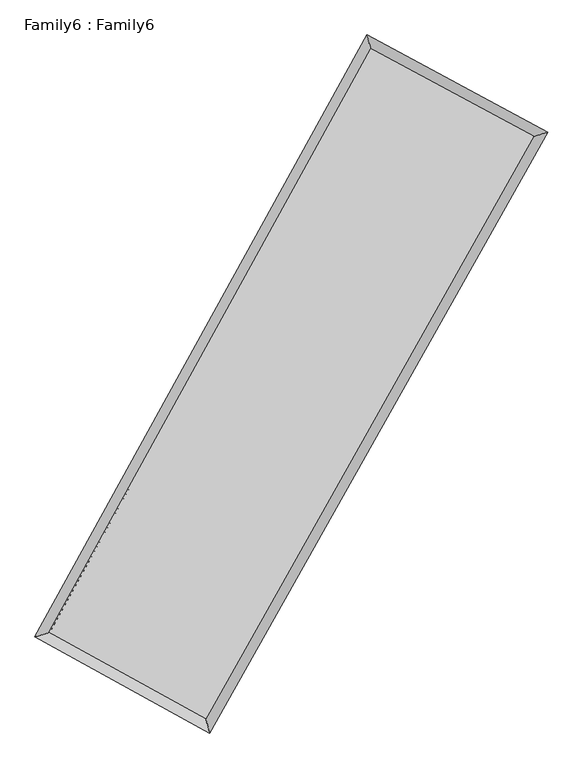
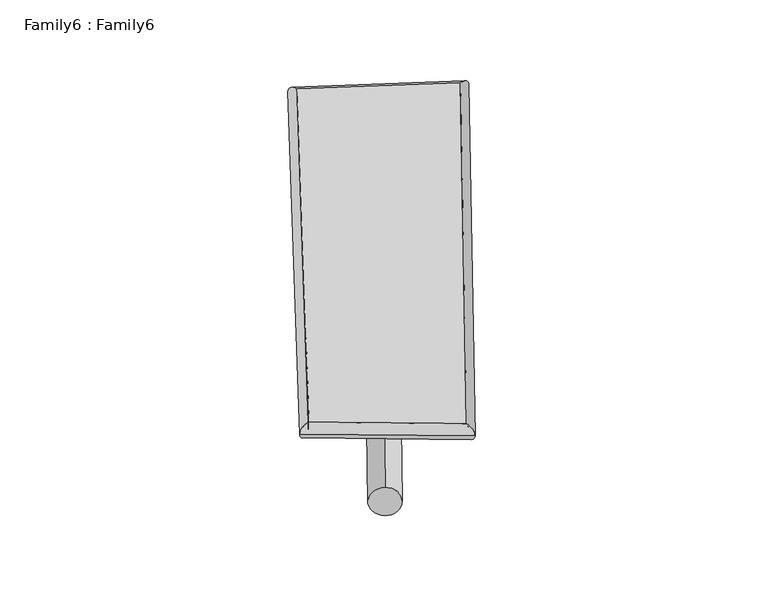
"""IFC4 building model written with IfcOpenShell, lengths in millimetres: plate geometry, Family6 : Family6."""

import ifcopenshell
import ifcopenshell.guid

model = None  # the IFC model being written
_history = None  # IfcOwnerHistory: only IFC2X3 demands one
_inside = {}  # id of a spatial element -> (the spatial element, [elements in it])
_under = {}  # id of a project, library or spatial element -> (it, [spatial elements below it])
_declared = {}  # id of a project -> (the project, [libraries it declares])
_typed = {}  # id of a type object -> (the type object, [elements of that type])
_made_of = {}  # id of a material, layer set ... -> (it, [elements and type objects made of it])


def new_model(schema):
    """Start an empty IFC model of exactly this schema.

    Asked for "IFC4X3", IfcOpenShell would pick the latest addendum, in which some entities
    have other attributes; the version numbers below select the first issue.
    IFC2X3 requires an IfcOwnerHistory on every rooted entity: one is made here for all.
    """
    global model, _history
    if schema == "IFC4X3":
        model = ifcopenshell.file(schema_version=(4, 3, 0, 0))
    else:
        model = ifcopenshell.file(schema=schema)
    _inside.clear()
    _under.clear()
    _declared.clear()
    _typed.clear()
    _made_of.clear()
    _history = None
    if model.schema == "IFC2X3":
        org = make("IfcOrganization", Name="unknown")
        user = make(
            "IfcPersonAndOrganization",
            ThePerson=make("IfcPerson", FamilyName="unknown"),
            TheOrganization=org,
        )
        app = make(
            "IfcApplication",
            ApplicationDeveloper=org,
            Version="unknown",
            ApplicationFullName="unknown",
            ApplicationIdentifier="unknown",
        )
        _history = make(
            "IfcOwnerHistory",
            OwningUser=user,
            OwningApplication=app,
            ChangeAction="ADDED",
            CreationDate=0,
        )
    return model


def make(cls, **values):
    """One entity of the class cls with the attributes given. An attribute that is None is left unset."""
    return model.create_entity(
        cls, **{name: value for name, value in values.items() if value is not None}
    )


def rooted(cls, **values):
    """An entity with a GlobalId (a new one), such as an element, a storey or a relation."""
    return make(cls, GlobalId=ifcopenshell.guid.new(), OwnerHistory=_history, **values)


def si_unit(unit_type, name, prefix=None):
    """IfcSIUnit, for example si_unit("LENGTHUNIT", "METRE", prefix="MILLI")."""
    return make("IfcSIUnit", UnitType=unit_type, Prefix=prefix, Name=name)


def assignment(units):
    """IfcUnitAssignment: the units of a project."""
    return None if units is None else make("IfcUnitAssignment", Units=units)


def point(xyz):
    """IfcCartesianPoint."""
    return None if xyz is None else make("IfcCartesianPoint", Coordinates=xyz)


def direction(xyz):
    """IfcDirection."""
    return None if xyz is None else make("IfcDirection", DirectionRatios=xyz)


def frame(location, z_axis=None, x_axis=None):
    """IfcAxis2Placement3D, a coordinate frame: its origin and axes. An axis left out is left unset."""
    return make(
        "IfcAxis2Placement3D",
        Location=point(location),
        Axis=direction(z_axis),
        RefDirection=direction(x_axis),
    )


def frame_2d(location, x_axis=None):
    """IfcAxis2Placement2D, a coordinate frame in the plane: its origin and x axis."""
    return make(
        "IfcAxis2Placement2D", Location=point(location), RefDirection=direction(x_axis)
    )


def origin():
    """The frame at (0, 0, 0) with its axes left unset."""
    return frame((0.0, 0.0, 0.0))


def origin_2d():
    """The frame at (0, 0) in the plane with its x axis left unset."""
    return frame_2d((0.0, 0.0))


def place(relative_to, where):
    """IfcLocalPlacement: puts the frame where relative to a parent placement (None: the world)."""
    return make(
        "IfcLocalPlacement", PlacementRelTo=relative_to, RelativePlacement=where
    )


def context(
    kind, dimensions, precision=None, world=None, true_north=None, identifier=None
):
    """IfcGeometricRepresentationContext, for example the 3D "Model" context."""
    return make(
        "IfcGeometricRepresentationContext",
        ContextIdentifier=identifier,
        ContextType=kind,
        CoordinateSpaceDimension=dimensions,
        Precision=precision,
        WorldCoordinateSystem=world,
        TrueNorth=true_north,
    )


def project(units=None, contexts=None):
    """IfcProject with its units and contexts."""
    return rooted(
        "IfcProject",
        Name="project",
        RepresentationContexts=contexts,
        UnitsInContext=assignment(units),
    )


def spatial(cls, under=None, at=None, **own):
    """A site, building, storey or space (cls), placed at a placement, below another one or the project."""
    s = rooted(cls, ObjectPlacement=at, **own)
    if under is not None:
        _under.setdefault(under.id(), (under, []))[1].append(s)
    return s


def circle_curve(where, radius):
    """IfcCircle in the frame where."""
    return make("IfcCircle", Position=where, Radius=radius)


def ellipse_curve(where, semi_axis1, semi_axis2):
    """IfcEllipse in the frame where."""
    return make(
        "IfcEllipse", Position=where, SemiAxis1=semi_axis1, SemiAxis2=semi_axis2
    )


def trimmed(basis, trim1, trim2, sense, master):
    """IfcTrimmedCurve: the piece of a basis curve between two trims."""
    return make(
        "IfcTrimmedCurve",
        BasisCurve=basis,
        Trim1=trim1,
        Trim2=trim2,
        SenseAgreement=sense,
        MasterRepresentation=master,
    )


def segment(curve, same_sense, transition):
    """IfcCompositeCurveSegment."""
    return make(
        "IfcCompositeCurveSegment",
        Transition=transition,
        SameSense=same_sense,
        ParentCurve=curve,
    )


def composite_curve(segments, self_intersect=None):
    """IfcCompositeCurve: segments joined end to end."""
    return make("IfcCompositeCurve", Segments=segments, SelfIntersect=self_intersect)


def outline(outer, holes=None, kind="AREA"):
    """IfcArbitraryClosedProfileDef: a profile drawn as a closed curve; with holes, ...WithVoids."""
    if holes is None:
        return make("IfcArbitraryClosedProfileDef", ProfileType=kind, OuterCurve=outer)
    return make(
        "IfcArbitraryProfileDefWithVoids",
        ProfileType=kind,
        OuterCurve=outer,
        InnerCurves=holes,
    )


def extrude(swept, where, along, depth):
    """IfcExtrudedAreaSolid: the profile swept, set in the frame where, extruded along a direction by depth."""
    return make(
        "IfcExtrudedAreaSolid",
        SweptArea=swept,
        Position=where,
        ExtrudedDirection=direction(along),
        Depth=depth,
    )


def shape(context_of_items, identifier, shape_type, items):
    """IfcShapeRepresentation: the items that make up one representation, for example the "Body"."""
    return make(
        "IfcShapeRepresentation",
        ContextOfItems=context_of_items,
        RepresentationIdentifier=identifier,
        RepresentationType=shape_type,
        Items=items,
    )


def source(mapping_origin, context_of_items, identifier, shape_type, items):
    """IfcRepresentationMap: a shape defined once, which mapped items show again and again."""
    return make(
        "IfcRepresentationMap",
        MappingOrigin=mapping_origin,
        MappedRepresentation=shape(context_of_items, identifier, shape_type, items),
    )


def transform(
    local_origin,
    x_axis=None,
    y_axis=None,
    z_axis=None,
    scale=None,
    scale2=None,
    scale3=None,
    uniform=True,
):
    """IfcCartesianTransformationOperator3D, or its non-uniform kind. x_axis, y_axis, z_axis: its Axis1, 2, 3."""
    if uniform:
        return make(
            "IfcCartesianTransformationOperator3D",
            Axis1=direction(x_axis),
            Axis2=direction(y_axis),
            LocalOrigin=point(local_origin),
            Scale=scale,
            Axis3=direction(z_axis),
        )
    return make(
        "IfcCartesianTransformationOperator3DnonUniform",
        Axis1=direction(x_axis),
        Axis2=direction(y_axis),
        LocalOrigin=point(local_origin),
        Scale=scale,
        Axis3=direction(z_axis),
        Scale2=scale2,
        Scale3=scale3,
    )


def mapped(mapping_source, mapping_target):
    """IfcMappedItem: shows the shape of a source again, moved by a transform."""
    return make(
        "IfcMappedItem", MappingSource=mapping_source, MappingTarget=mapping_target
    )


def made_of(thing, what):
    """Note that an element or type object is made of a material, layer set ...; save() writes the relation."""
    if what is not None:
        _made_of.setdefault(what.id(), (what, []))[1].append(thing)
    return thing


def element(
    cls,
    number,
    at=None,
    inside=None,
    cuts=None,
    type_object=None,
    material=None,
    context=None,
    identifier="Body",
    shape_type=None,
    held_by="IfcProductDefinitionShape",
    body=None,
    shapes=None,
    **own,
):
    """One element of the class cls, such as IfcWall. Its Tag is "e" and its number.

    at: its placement. inside: the storey or other place that contains it. cuts: it is an
    opening in that element (IfcRelVoidsElement). A single representation is given by context,
    identifier, shape_type and body (its items); several are given by shapes. held_by: the class
    of the entity that holds the representations. save() writes the other relations.
    """
    e = rooted(cls, Tag="e%d" % number, ObjectPlacement=at, **own)
    if body is not None:
        shapes = [shape(context, identifier, shape_type, body)]
    if shapes is not None:
        e.Representation = make(held_by, Representations=shapes)
    if inside is not None:
        _inside.setdefault(inside.id(), (inside, []))[1].append(e)
    if cuts is not None:
        rooted(
            "IfcRelVoidsElement", RelatingBuildingElement=cuts, RelatedOpeningElement=e
        )
    if type_object is not None:
        _typed.setdefault(type_object.id(), (type_object, []))[1].append(e)
    return made_of(e, material)


def aggregate(whole, parts):
    """IfcRelAggregates: a whole, such as a stair, and the parts it consists of."""
    return rooted("IfcRelAggregates", RelatingObject=whole, RelatedObjects=parts)


def save(model, path):
    """Write the relations noted so far, then the file.

    IfcRelAggregates (storeys below a building ...), IfcRelContainedInSpatialStructure (elements
    in a storey), IfcRelDefinesByType, IfcRelAssociatesMaterial and IfcRelDeclares: one each for
    every whole, place, type object, material and project.
    """
    for whole, parts in _under.values():
        aggregate(whole, parts)
    for where, things in _inside.values():
        rooted(
            "IfcRelContainedInSpatialStructure",
            RelatedElements=things,
            RelatingStructure=where,
        )
    for kind, things in _typed.values():
        rooted("IfcRelDefinesByType", RelatedObjects=things, RelatingType=kind)
    for what, things in _made_of.values():
        rooted("IfcRelAssociatesMaterial", RelatedObjects=things, RelatingMaterial=what)
    for by, libraries in _declared.values():
        rooted("IfcRelDeclares", RelatingContext=by, RelatedDefinitions=libraries)
    model.write(path)


def plane_surface(at):
    """IfcPlane: the flat surface through the origin of the frame at, square to its z axis."""
    return make("IfcPlane", Position=at)


def cylinder_surface(at, radius):
    """IfcCylindricalSurface: all points at the distance radius from the z axis of the frame at."""
    return make("IfcCylindricalSurface", Position=at, Radius=radius)


def spline_surface(u_degree, v_degree, points, u_multiplicities, v_multiplicities, u_knots, v_knots, weights=None):
    """IfcBSplineSurfaceWithKnots; with weights, IfcRationalBSplineSurfaceWithKnots. points: one row for each step in u."""
    own = dict(
        UDegree=u_degree,
        VDegree=v_degree,
        ControlPointsList=[[point(p) for p in row] for row in points],
        SurfaceForm="UNSPECIFIED",
        UClosed=False,
        VClosed=False,
        SelfIntersect=False,
        UMultiplicities=u_multiplicities,
        VMultiplicities=v_multiplicities,
        UKnots=u_knots,
        VKnots=v_knots,
        KnotSpec="UNSPECIFIED",
    )
    if weights is None:
        return make("IfcBSplineSurfaceWithKnots", **own)
    return make("IfcRationalBSplineSurfaceWithKnots", WeightsData=weights, **own)


def advanced_brep(points, edges, surfaces, faces):
    """IfcAdvancedBrep: a solid bounded by faces that lie on surfaces and meet in shared edges.

    An edge is (start, end): straight between two places in points (the first is 0);
    or (start, end, curve); or (start, end, curve, False) where it runs against its curve.
    A face is (place in surfaces, loops), or (place, loops, False) where it looks against
    its surface's normal. A loop lists edges by number (the first is 1), with a minus sign
    where the edge is run from its end to its start. The first loop is the outer one.
    """
    corners = [point(p) for p in points]
    vertices = [make("IfcVertexPoint", VertexGeometry=c) for c in corners]
    made = []
    for start, end, *more in edges:
        made.append(
            make(
                "IfcEdgeCurve",
                EdgeStart=vertices[start],
                EdgeEnd=vertices[end],
                EdgeGeometry=more[0] if more else make("IfcPolyline", Points=[corners[start], corners[end]]),
                SameSense=more[1] if len(more) > 1 else True,
            )
        )
    hull = []
    for where, loops, *sense in faces:
        bounds = []
        for j, loop in enumerate(loops):
            ring = [make("IfcOrientedEdge", EdgeElement=made[abs(k) - 1], Orientation=k > 0) for k in loop]
            bounds.append(
                make(
                    "IfcFaceOuterBound" if j == 0 else "IfcFaceBound",
                    Bound=make("IfcEdgeLoop", EdgeList=ring),
                    Orientation=True,
                )
            )
        hull.append(make("IfcAdvancedFace", Bounds=bounds, FaceSurface=surfaces[where], SameSense=sense[0] if sense else True))
    return make("IfcAdvancedBrep", Outer=make("IfcClosedShell", CfsFaces=hull))


def family6_family6_ac7b8083(model_context):
    return source(origin(), model_context, "Body", "SolidModel", [
        extrude(outline(composite_curve([segment(trimmed(circle_curve(origin_2d(), 76.2), [point((-75.4341514, -10.7763074))], [point((75.4341514, 10.7763074))], False, "CARTESIAN"), True, "CONTINUOUS"), segment(trimmed(circle_curve(origin_2d(), 76.2), [point((75.4341514, 10.7763074))], [point((-75.4341514, -10.7763074))], False, "CARTESIAN"), True, "CONTINUOUS")], self_intersect=False)), frame((9144.0, 9144.0, 0.0), z_axis=(0.6753220051112971, 0.6837392368233893, 0.27647937615783647), x_axis=(-0.6762907995611659, 0.7236488358781605, -0.13770663295971702)), (0.0, 0.0, 1.0), 5634.8550679),
        extrude(outline(composite_curve([segment(trimmed(circle_curve(origin_2d(), 76.2), [point((-53.8815368, 53.8815368))], [point((53.8815368, -53.8815368))], False, "CARTESIAN"), True, "CONTINUOUS"), segment(trimmed(circle_curve(origin_2d(), 76.2), [point((53.8815368, -53.8815368))], [point((-53.8815368, 53.8815368))], False, "CARTESIAN"), True, "CONTINUOUS")], self_intersect=False)), frame((9144.0, 9144.0, 0.0), z_axis=(-0.6696511586447237, -0.688710617490722, 0.27792986719913276), x_axis=(0.6455491799442052, -0.3547520117794207, 0.6763263017300288)), (0.0, 0.0, 1.0), 5608.0469249),
        extrude(outline(composite_curve([segment(trimmed(circle_curve(origin_2d(), 76.2), [point((-53.8815367, -53.8815367))], [point((53.8815367, 53.8815367))], False, "CARTESIAN"), True, "CONTINUOUS"), segment(trimmed(circle_curve(origin_2d(), 76.2), [point((53.8815367, 53.8815367))], [point((-53.8815367, -53.8815367))], False, "CARTESIAN"), True, "CONTINUOUS")], self_intersect=False)), frame((9144.0, 9144.0, 0.0), z_axis=(0.22595036370488736, 0.9368483228936483, 0.26694878353906715), x_axis=(-0.8473849106708684, 0.32419717143877486, -0.42051754683772946)), (0.0, 0.0, 1.0), 5572.2430047),
        extrude(outline(composite_curve([segment(trimmed(circle_curve(origin_2d(), 76.2), [point((-75.4341514, 10.7763073))], [point((75.4341514, -10.7763073))], False, "CARTESIAN"), True, "CONTINUOUS"), segment(trimmed(circle_curve(origin_2d(), 76.2), [point((75.4341514, -10.7763073))], [point((-75.4341514, 10.7763073))], False, "CARTESIAN"), True, "CONTINUOUS")], self_intersect=False)), frame((9144.0, 9144.0, 0.0), z_axis=(-0.23392627189587256, -0.9349707961555226, 0.2666610388737102), x_axis=(0.8907994351282363, -0.09621584430754547, 0.4440933209128476)), (0.0, 0.0, 1.0), 5574.7633245),
        advanced_brep(
        [(5181.6153752, 5221.933841, 1554.0559063), (5181.5053838, 5221.7477316, 1565.1479118), (5595.5143828, 5341.4232379, 1563.2315678), (10463.5789712, 14158.8811275, 1494.1685877), (10342.5216959, 14569.8118998, 1480.8383957), (5595.6243742, 5341.6093473, 1552.1395624), (12740.2210046, 12936.1307044, 1557.1291559), (13158.4622413, 13057.412303, 1558.7132719), (7781.2373046, 4138.0278264, 1487.880917), (7898.595493, 3725.4903658, 1485.2634421)],
        [
            (0, 1, ellipse_curve(frame((5388.564879, 5281.6785394, 1558.6437371), z_axis=(-0.27761389746300186, 0.9605997649268053, 0.013364713164462532), x_axis=(-0.9603450337563666, -0.2778608152993034, 0.023038738261670872)), 215.6617885, 152.4)),
            (1, 2, ellipse_curve(frame((5388.564879, 5281.6785394, 1558.6437371), z_axis=(-0.27761389746300186, 0.9605997649268053, 0.013364713164462532), x_axis=(-0.9603450337563666, -0.2778608152993034, 0.023038738261670872)), 215.6617885, 152.4)),
            (2, 3),
            (3, 4, ellipse_curve(frame((10403.0503336, 14364.3465137, 1487.5034917), z_axis=(-0.9590611362594891, -0.2829317022898872, -0.012304013816807555), x_axis=(0.28262140944692277, -0.958974658248253, 0.02219783232392822)), 214.3075504, 152.4)),
            (4, 0),
            (2, 5, ellipse_curve(frame((5388.564879, 5281.6785394, 1558.6437371), z_axis=(-0.27761389746300186, 0.9605997649268053, 0.013364713164462532), x_axis=(-0.9603450337563666, -0.2778608152993034, 0.023038738261670872)), 215.6617885, 152.4)),
            (5, 0, ellipse_curve(frame((5388.564879, 5281.6785394, 1558.6437371), z_axis=(-0.27761389746300186, 0.9605997649268053, 0.013364713164462532), x_axis=(-0.9603450337563666, -0.2778608152993034, 0.023038738261670872)), 215.6617885, 152.4)),
            (4, 3, ellipse_curve(frame((10403.0503336, 14364.3465137, 1487.5034917), z_axis=(-0.9590611362594891, -0.2829317022898872, -0.012304013816807555), x_axis=(0.28262140944692277, -0.958974658248253, 0.02219783232392822)), 214.3075504, 152.4)),
            (3, 6),
            (6, 7, ellipse_curve(frame((12949.3416229, 12996.7715037, 1557.9212139), z_axis=(-0.27844128723813727, 0.9603718646597487, -0.012503244823894444), x_axis=(-0.9601415901844581, -0.2786589593068003, -0.021847452851790173)), 217.7745416, 152.4)),
            (7, 4),
            (7, 6, ellipse_curve(frame((12949.3416229, 12996.7715037, 1557.9212139), z_axis=(-0.27844128723813727, 0.9603718646597487, -0.012503244823894444), x_axis=(-0.9601415901844581, -0.2786589593068003, -0.021847452851790173)), 217.7745416, 152.4)),
            (6, 8),
            (8, 9, ellipse_curve(frame((7839.9163988, 3931.7590961, 1486.5721796), z_axis=(0.9617300323280462, 0.27367620377296736, -0.01329211821767756), x_axis=(-0.27333072941214903, 0.9616411282404614, 0.023165768613082043)), 214.4874712, 152.4)),
            (9, 7),
            (9, 8, ellipse_curve(frame((7839.9163988, 3931.7590961, 1486.5721796), z_axis=(0.9617300323280462, 0.27367620377296736, -0.01329211821767756), x_axis=(-0.27333072941214903, 0.9616411282404614, 0.023165768613082043)), 214.4874712, 152.4)),
            (8, 5),
            (1, 9),
        ],
        [
            cylinder_surface(frame((5388.564879, 5281.6785395, 1558.6437371), z_axis=(-0.48331411582839406, -0.8754201564897591, 0.0068567523262595825), x_axis=(-0.8749651724997461, 0.4827734649177686, -0.0369557638776634)), 152.4),
            cylinder_surface(frame((10403.0503336, 14364.3465137, 1487.5034917), z_axis=(-0.8807154469196755, 0.4730191086616431, -0.024356198349109678), x_axis=(0.47348989701677324, 0.8805798964949426, -0.0196561265767663)), 152.4),
            cylinder_surface(frame((12949.3416229, 12996.7715037, 1557.9212139), z_axis=(0.49100550311374264, 0.8711294876966906, 0.00685649891141675), x_axis=(0.871154612402186, -0.4910055031137426, -0.001799222726024792)), 152.4),
            cylinder_surface(frame((7839.9163988, 3931.7590961, 1486.5721796), z_axis=(0.875672523506962, -0.48221862754596556, -0.02574542333376259), x_axis=(-0.4819282729361206, -0.8760476407219082, 0.016901802578026665)), 152.4),
        ],
        [
            (0, [[1, 2, 3, 4, 5]]),
            (0, [[6, 7, -5, 8, -3]]),
            (1, [[-4, 9, 10, 11]]),
            (1, [[-8, -11, 12, -9]]),
            (2, [[-10, 13, 14, 15]]),
            (2, [[-12, -15, 16, -13]]),
            (3, [[-14, 17, -6, -2, 18]]),
            (3, [[-16, -18, -1, -7, -17]]),
        ],
    ),
        extrude(outline(composite_curve([segment(trimmed(circle_curve(origin_2d(), 304.8), [point((0.0, 304.8))], [point((0.0, -304.8))], False, "CARTESIAN"), True, "CONTINUOUS"), segment(trimmed(circle_curve(origin_2d(), 304.8), [point((0.0, -304.8))], [point((0.0, 304.8))], False, "CARTESIAN"), True, "CONTINUOUS")], self_intersect=False)), frame((11718.3395469, 13680.7859484, -0.0559934), z_axis=(-0.4935195302655981, -0.869734714226814, 1.0734336153818474e-05), x_axis=(-0.8697347142884407, 0.493519530265598, -2.8333455521984155e-06)), (0.0, 0.0, 1.0), 10432.5741497),
        advanced_brep(
        [(5388.564879, 5281.6785394, 1558.6437371), (7839.9163988, 3931.7590961, 1486.5721796), (7839.9000064, 3931.764769, 1638.9721786), (5388.5484866, 5281.6842123, 1711.0437361), (12949.3416229, 12996.7715037, 1557.9212139), (12949.3252305, 12996.7771766, 1710.3212129), (10403.0503336, 14364.3465137, 1487.5034917), (10403.0339411, 14364.3521865, 1639.9034907)],
        [
            (0, 1),
            (1, 2),
            (2, 3),
            (3, 0),
            (1, 4),
            (4, 5),
            (5, 2),
            (4, 6),
            (6, 7),
            (7, 5),
            (6, 0),
            (3, 7),
        ],
        [
            plane_surface(frame((6614.2406389, 4606.7188178, 1522.6079583), z_axis=(-0.4823789555955073, -0.875962637803064, -1.9279156043234408e-05), x_axis=(0.8756725235069622, -0.4822186275459651, -0.02574542333376259))),
            plane_surface(frame((10394.6290109, 8464.2652999, 1522.2466967), z_axis=(0.871149582535402, -0.4910177107894409, 0.00011197987422675252), x_axis=(0.4910055031137424, 0.8711294876966906, 0.006856498911416754))),
            plane_surface(frame((11676.1959782, 13680.5590087, 1522.7123528), z_axis=(0.4731590857679235, 0.8809770026667122, 1.810079742158542e-05), x_axis=(-0.8807154469196755, 0.473019108661643, -0.02435619834910967))),
            plane_surface(frame((7895.8076063, 9823.0125266, 1523.0736144), z_axis=(-0.8754411023671191, 0.4833248014611628, -0.00011215512086502032), x_axis=(-0.483314115828394, -0.875420156489759, 0.006856752326259592))),
            spline_surface(1, 1, [[(7839.9000064, 3931.764769, 1638.9721786), (5388.5484866, 5281.6842123, 1711.0437361)], [(12949.3252305, 12996.7771766, 1710.3212129), (10403.0339411, 14364.3521865, 1639.9034907)]], [2, 2], [2, 2], [0.0, 1.0], [0.0, 1.0]),
            spline_surface(1, 1, [[(10403.0503336, 14364.3465137, 1487.5034917), (5388.564879, 5281.6785394, 1558.6437371)], [(12949.3416229, 12996.7715037, 1557.9212139), (7839.9163988, 3931.7590961, 1486.5721796)]], [2, 2], [2, 2], [0.0, 1.0], [0.0, 1.0]),
        ],
        [
            (0, [[1, 2, 3, 4]]),
            (1, [[5, 6, 7, -2]]),
            (2, [[8, 9, 10, -6]]),
            (3, [[11, -4, 12, -9]]),
            (4, [[-3, -7, -10, -12]]),
            (5, [[-11, -8, -5, -1]]),
        ],
    ),
    ])


if __name__ == "__main__":
    model = new_model("IFC4")
    model_context = context("Model", 3, world=origin())
    ifc_project = project(units=[si_unit("LENGTHUNIT", "METRE", prefix="MILLI")], contexts=[model_context])
    site = spatial("IfcSite", under=ifc_project)
    building = spatial("IfcBuilding", under=site)
    placement = place(None, origin())
    family6_family6_shape = family6_family6_ac7b8083(model_context)
    element("IfcPlate", 1, ObjectType="Family6 : Family6", at=placement, inside=building, context=model_context, shape_type="MappedRepresentation", body=[
        mapped(family6_family6_shape, transform((0.0, 0.0, 0.0), x_axis=(1.0, 0.0, 0.0), y_axis=(0.0, 1.0, 0.0), z_axis=(0.0, 0.0, 1.0))),
    ])
    save(model, "model.ifc")
